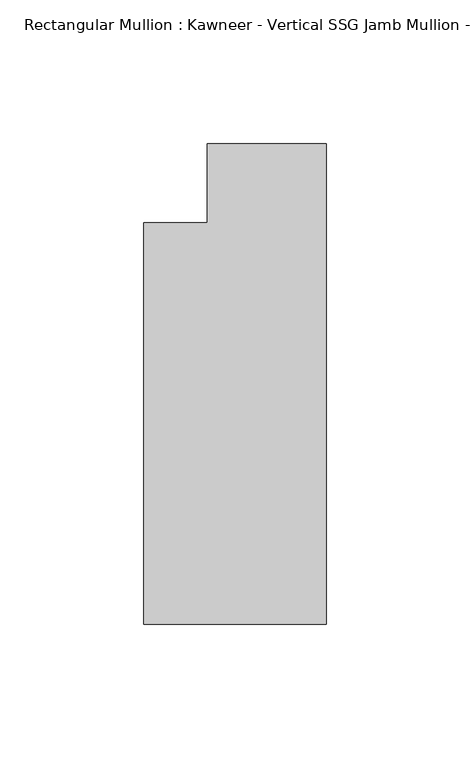
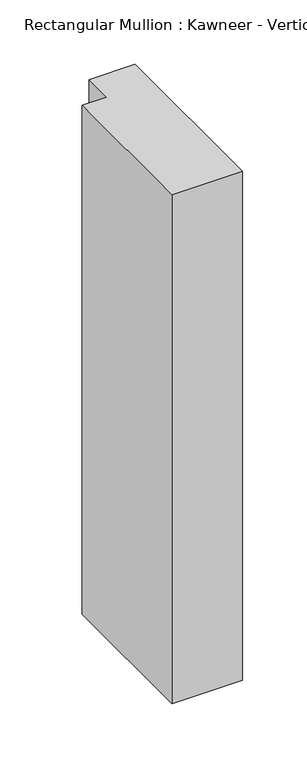
"""IFC4 building model written with IfcOpenShell, lengths in millimetres: member geometry."""

from ifc_helpers import new_model, si_unit, frame, origin, place, context, project, spatial, polyline, outline, extrude, source, transform, mapped, element, save


def member_9a5eeb2c(model_context):
    return source(origin(), model_context, "Body", "SweptSolid", [
        extrude(outline(polyline([(0.0, -152.399995), (-63.5, -152.399995), (-63.5, -12.7), (-41.2751132, -12.7), (-41.2751132, 14.8599091), (0.0, 14.8599091), (0.0, -152.399995)])), frame((0.0, 0.0, -482.1103332), z_axis=(0.0, 0.0, 1.0), x_axis=(1.0, 0.0, 0.0)), (0.0, 0.0, 1.0), 482.1103332),
    ])


if __name__ == "__main__":
    model = new_model("IFC4")
    model_context = context("Model", 3, world=origin())
    ifc_project = project(units=[si_unit("LENGTHUNIT", "METRE", prefix="MILLI")], contexts=[model_context])
    site = spatial("IfcSite", under=ifc_project)
    building = spatial("IfcBuilding", under=site)
    placement = place(None, origin())
    member_shape = member_9a5eeb2c(model_context)
    element("IfcMember", 1, ObjectType="Rectangular Mullion : Kawneer - Vertical SSG Jamb Mullion - 7 1/2\" - Left", at=placement, inside=building, context=model_context, shape_type="MappedRepresentation", body=[
        mapped(member_shape, transform((0.0, 0.0, 0.0), x_axis=(1.0, 0.0, 0.0), y_axis=(0.0, 1.0, 0.0), z_axis=(0.0, 0.0, 1.0))),
    ])
    save(model, "model.ifc")
